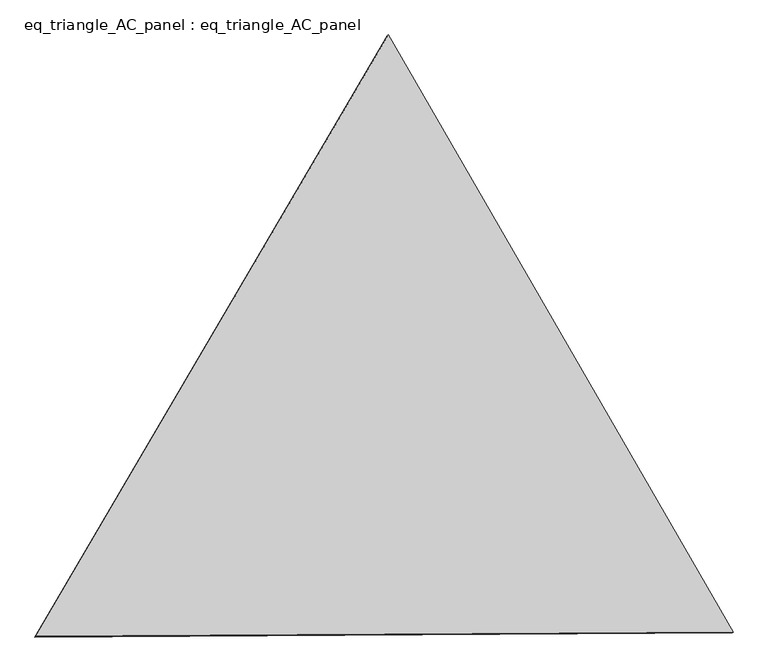
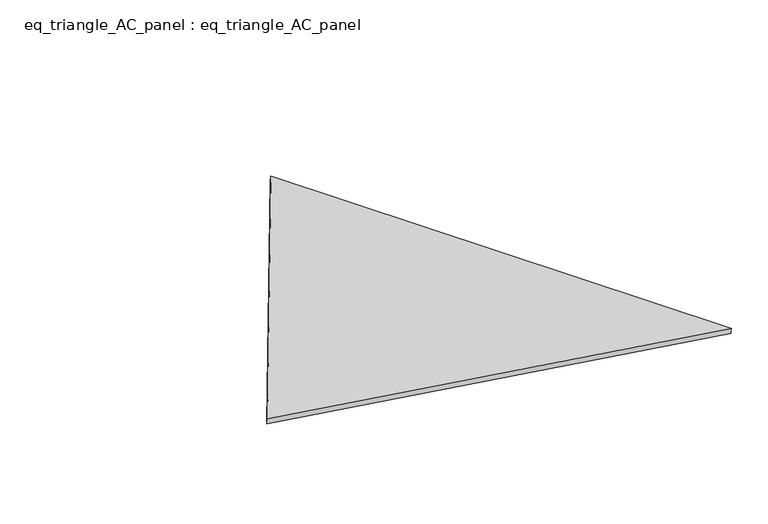
"""IFC4 building model written with IfcOpenShell, lengths in millimetres: proxy geometry, eq_triangle_AC_panel : eq_triangle_AC_panel."""

from ifc_helpers import new_model, si_unit, frame, origin, place, context, project, spatial, polyline, outline, extrude, source, transform, mapped, element, save


def eq_triangle_ac_panel_eq_triangle_ac_panel_d27ec098(model_context):
    return source(origin(), model_context, "Body", "SweptSolid", [
        extrude(outline(polyline([(-2017.7564264, 1198.9367817), (2017.7256969, 1198.9367817), (0.0307293, -2397.8735635), (-2017.7564264, 1198.9367817)])), frame((0.0038051, 527.9290861, 89.8240019), z_axis=(0.14526328518041942, 0.08386570281830351, 0.9858321976225896), x_axis=(0.49999182862237396, -0.8660301214800787, -2.3410607229784708e-07)), (0.0, 0.0, 1.0), 43.8306294),
    ])


if __name__ == "__main__":
    model = new_model("IFC4")
    model_context = context("Model", 3, world=origin())
    ifc_project = project(units=[si_unit("LENGTHUNIT", "METRE", prefix="MILLI")], contexts=[model_context])
    site = spatial("IfcSite", under=ifc_project)
    building = spatial("IfcBuilding", under=site)
    placement = place(None, origin())
    eq_triangle_ac_panel_eq_triangle_ac_panel_shape = eq_triangle_ac_panel_eq_triangle_ac_panel_d27ec098(model_context)
    element("IfcBuildingElementProxy", 1, Name="eq_triangle_AC_panel : eq_triangle_AC_panel", ObjectType="eq_triangle_AC_panel : eq_triangle_AC_panel", at=placement, inside=building, context=model_context, shape_type="MappedRepresentation", body=[
        mapped(eq_triangle_ac_panel_eq_triangle_ac_panel_shape, transform((0.0, 0.0, 0.0), x_axis=(1.0, 0.0, 0.0), y_axis=(0.0, 1.0, 0.0), z_axis=(0.0, 0.0, 1.0))),
    ])
    save(model, "model.ifc")
